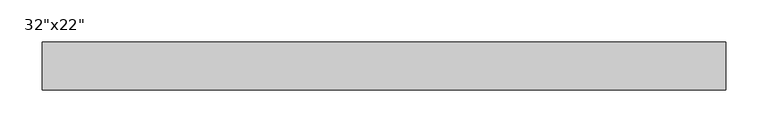
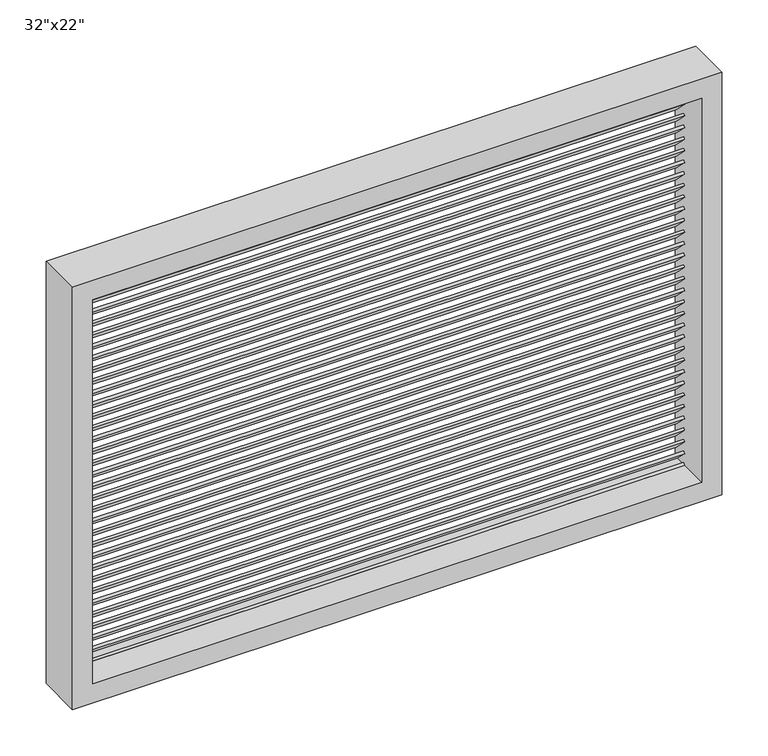
"""IFC4 building model written with IfcOpenShell, lengths in millimetres: proxy geometry."""

from ifc_helpers import new_model, si_unit, frame, origin, place, context, project, spatial, polyline, outline, extrude, source, transform, mapped, element, save


def proxy_f764767f(model_context):
    return source(origin(), model_context, "Body", "SweptSolid", [
        extrude(outline(polyline([(0.0, 25.4000001), (762.0, 25.4000001), (762.0, 0.0), (0.0, 0.0), (0.0, 25.4000001)])), frame((-381.0, 49.6444237, 1333.7120527), z_axis=(0.0, 0.7071067811865469, 0.7071067811865482), x_axis=(1.0, 0.0, 0.0)), (0.0, 0.0, 1.0), 3.175),
        extrude(outline(polyline([(0.0, 25.4), (762.0, 25.4), (762.0, 0.0), (0.0, 0.0), (0.0, 25.4)])), frame((-381.0, 49.6444237, 1318.3086571), z_axis=(0.0, 0.7071067811865469, 0.7071067811865482), x_axis=(1.0, 0.0, 0.0)), (0.0, 0.0, 1.0), 3.175),
        extrude(outline(polyline([(0.0, 25.4), (762.0, 25.4), (762.0, 0.0), (0.0, 0.0), (0.0, 25.4)])), frame((-381.0, 49.6444237, 1302.9052616), z_axis=(0.0, 0.7071067811865469, 0.7071067811865482), x_axis=(1.0, 0.0, 0.0)), (0.0, 0.0, 1.0), 3.175),
        extrude(outline(polyline([(0.0, 25.4000001), (762.0, 25.4000001), (762.0, 0.0), (0.0, 0.0), (0.0, 25.4000001)])), frame((-381.0, 49.6444237, 1287.5018661), z_axis=(0.0, 0.7071067811865469, 0.7071067811865482), x_axis=(1.0, 0.0, 0.0)), (0.0, 0.0, 1.0), 3.175),
        extrude(outline(polyline([(0.0, 25.4), (762.0, 25.4), (762.0, 0.0), (0.0, 0.0), (0.0, 25.4)])), frame((-381.0, 49.6444237, 1272.0984705), z_axis=(0.0, 0.7071067811865469, 0.7071067811865482), x_axis=(1.0, 0.0, 0.0)), (0.0, 0.0, 1.0), 3.175),
        extrude(outline(polyline([(0.0, 25.4), (762.0, 25.4), (762.0, 0.0), (0.0, 0.0), (0.0, 25.4)])), frame((-381.0, 49.6444237, 1256.695075), z_axis=(0.0, 0.7071067811865469, 0.7071067811865482), x_axis=(1.0, 0.0, 0.0)), (0.0, 0.0, 1.0), 3.175),
        extrude(outline(polyline([(0.0, 25.4000001), (762.0, 25.4000001), (762.0, 0.0), (0.0, 0.0), (0.0, 25.4000001)])), frame((-381.0, 49.6444237, 1241.2916795), z_axis=(0.0, 0.7071067811865469, 0.7071067811865482), x_axis=(1.0, 0.0, 0.0)), (0.0, 0.0, 1.0), 3.175),
        extrude(outline(polyline([(0.0, 25.4), (762.0, 25.4), (762.0, 0.0), (0.0, 0.0), (0.0, 25.4)])), frame((-381.0, 49.6444237, 1225.8882839), z_axis=(0.0, 0.7071067811865469, 0.7071067811865482), x_axis=(1.0, 0.0, 0.0)), (0.0, 0.0, 1.0), 3.175),
        extrude(outline(polyline([(0.0, 25.4000001), (762.0, 25.4000001), (762.0, 0.0), (0.0, 0.0), (0.0, 25.4000001)])), frame((-381.0, 49.6444237, 1210.4848884), z_axis=(0.0, 0.7071067811865469, 0.7071067811865482), x_axis=(1.0, 0.0, 0.0)), (0.0, 0.0, 1.0), 3.175),
        extrude(outline(polyline([(0.0, 25.4000001), (762.0, 25.4000001), (762.0, 0.0), (0.0, 0.0), (0.0, 25.4000001)])), frame((-381.0, 49.6444237, 1195.0814929), z_axis=(0.0, 0.7071067811865469, 0.7071067811865482), x_axis=(1.0, 0.0, 0.0)), (0.0, 0.0, 1.0), 3.175),
        extrude(outline(polyline([(0.0, 25.4), (762.0, 25.4), (762.0, 0.0), (0.0, 0.0), (0.0, 25.4)])), frame((-381.0, 49.6444237, 1179.6780973), z_axis=(0.0, 0.7071067811865469, 0.7071067811865482), x_axis=(1.0, 0.0, 0.0)), (0.0, 0.0, 1.0), 3.175),
        extrude(outline(polyline([(0.0, 25.4000001), (762.0, 25.4000001), (762.0, 0.0), (0.0, 0.0), (0.0, 25.4000001)])), frame((-381.0, 49.6444237, 1164.2747018), z_axis=(0.0, 0.7071067811865469, 0.7071067811865482), x_axis=(1.0, 0.0, 0.0)), (0.0, 0.0, 1.0), 3.175),
        extrude(outline(polyline([(0.0, 25.4), (762.0, 25.4), (762.0, 0.0), (0.0, 0.0), (0.0, 25.4)])), frame((-381.0, 49.6444237, 1148.8713062), z_axis=(0.0, 0.7071067811865469, 0.7071067811865482), x_axis=(1.0, 0.0, 0.0)), (0.0, 0.0, 1.0), 3.175),
        extrude(outline(polyline([(0.0, 25.4), (762.0, 25.4), (762.0, 0.0), (0.0, 0.0), (0.0, 25.4)])), frame((-381.0, 49.6444237, 1133.4679107), z_axis=(0.0, 0.7071067811865469, 0.7071067811865482), x_axis=(1.0, 0.0, 0.0)), (0.0, 0.0, 1.0), 3.175),
        extrude(outline(polyline([(0.0, 25.4000001), (762.0, 25.4000001), (762.0, 0.0), (0.0, 0.0), (0.0, 25.4000001)])), frame((-381.0, 49.6444237, 1118.0645152), z_axis=(0.0, 0.7071067811865469, 0.7071067811865482), x_axis=(1.0, 0.0, 0.0)), (0.0, 0.0, 1.0), 3.175),
        extrude(outline(polyline([(0.0, 25.4), (762.0, 25.4), (762.0, 0.0), (0.0, 0.0), (0.0, 25.4)])), frame((-381.0, 49.6444237, 1102.6611196), z_axis=(0.0, 0.7071067811865469, 0.7071067811865482), x_axis=(1.0, 0.0, 0.0)), (0.0, 0.0, 1.0), 3.175),
        extrude(outline(polyline([(0.0, 25.4), (762.0, 25.4), (762.0, 0.0), (0.0, 0.0), (0.0, 25.4)])), frame((-381.0, 49.6444237, 1087.2577241), z_axis=(0.0, 0.7071067811865469, 0.7071067811865482), x_axis=(1.0, 0.0, 0.0)), (0.0, 0.0, 1.0), 3.175),
        extrude(outline(polyline([(0.0, 25.4000001), (762.0, 25.4000001), (762.0, 0.0), (0.0, 0.0), (0.0, 25.4000001)])), frame((-381.0, 49.6444237, 1071.8543286), z_axis=(0.0, 0.7071067811865469, 0.7071067811865482), x_axis=(1.0, 0.0, 0.0)), (0.0, 0.0, 1.0), 3.175),
        extrude(outline(polyline([(0.0, 25.4), (762.0, 25.4), (762.0, 0.0), (0.0, 0.0), (0.0, 25.4)])), frame((-381.0, 49.6444237, 1056.450933), z_axis=(0.0, 0.7071067811865469, 0.7071067811865482), x_axis=(1.0, 0.0, 0.0)), (0.0, 0.0, 1.0), 3.175),
        extrude(outline(polyline([(0.0, 25.4), (762.0, 25.4), (762.0, 0.0), (0.0, 0.0), (0.0, 25.4)])), frame((-381.0, 49.6444237, 1041.0475375), z_axis=(0.0, 0.7071067811865469, 0.7071067811865482), x_axis=(1.0, 0.0, 0.0)), (0.0, 0.0, 1.0), 3.175),
        extrude(outline(polyline([(0.0, 25.4000001), (762.0, 25.4000001), (762.0, 0.0), (0.0, 0.0), (0.0, 25.4000001)])), frame((-381.0, 49.6444237, 1025.644142), z_axis=(0.0, 0.7071067811865469, 0.7071067811865482), x_axis=(1.0, 0.0, 0.0)), (0.0, 0.0, 1.0), 3.175),
        extrude(outline(polyline([(0.0, 25.4), (762.0, 25.4), (762.0, 0.0), (0.0, 0.0), (0.0, 25.4)])), frame((-381.0, 49.6444237, 1010.2407464), z_axis=(0.0, 0.7071067811865469, 0.7071067811865482), x_axis=(1.0, 0.0, 0.0)), (0.0, 0.0, 1.0), 3.175),
        extrude(outline(polyline([(0.0, 25.4000001), (762.0, 25.4000001), (762.0, 0.0), (0.0, 0.0), (0.0, 25.4000001)])), frame((-381.0, 49.6444237, 994.8373509), z_axis=(0.0, 0.7071067811865469, 0.7071067811865482), x_axis=(1.0, 0.0, 0.0)), (0.0, 0.0, 1.0), 3.175),
        extrude(outline(polyline([(0.0, 25.4000001), (762.0, 25.4000001), (762.0, 0.0), (0.0, 0.0), (0.0, 25.4000001)])), frame((-381.0, 49.6444237, 979.4339554), z_axis=(0.0, 0.7071067811865469, 0.7071067811865482), x_axis=(1.0, 0.0, 0.0)), (0.0, 0.0, 1.0), 3.175),
        extrude(outline(polyline([(0.0, 25.4), (762.0, 25.4), (762.0, 0.0), (0.0, 0.0), (0.0, 25.4)])), frame((-381.0, 49.6444237, 964.0305598), z_axis=(0.0, 0.7071067811865469, 0.7071067811865482), x_axis=(1.0, 0.0, 0.0)), (0.0, 0.0, 1.0), 3.175),
        extrude(outline(polyline([(0.0, 25.4000001), (762.0, 25.4000001), (762.0, 0.0), (0.0, 0.0), (0.0, 25.4000001)])), frame((-381.0, 49.6444237, 948.6271643), z_axis=(0.0, 0.7071067811865469, 0.7071067811865482), x_axis=(1.0, 0.0, 0.0)), (0.0, 0.0, 1.0), 3.175),
        extrude(outline(polyline([(0.0, 25.4), (762.0, 25.4), (762.0, 0.0), (0.0, 0.0), (0.0, 25.4)])), frame((-381.0, 49.6444237, 933.2237687), z_axis=(0.0, 0.7071067811865469, 0.7071067811865482), x_axis=(1.0, 0.0, 0.0)), (0.0, 0.0, 1.0), 3.175),
        extrude(outline(polyline([(0.0, 25.4), (762.0, 25.4), (762.0, 0.0), (0.0, 0.0), (0.0, 25.4)])), frame((-381.0, 49.6444237, 917.8203732), z_axis=(0.0, 0.7071067811865469, 0.7071067811865482), x_axis=(1.0, 0.0, 0.0)), (0.0, 0.0, 1.0), 3.175),
        extrude(outline(polyline([(0.0, 25.4000001), (762.0, 25.4000001), (762.0, 0.0), (0.0, 0.0), (0.0, 25.4000001)])), frame((-381.0, 49.6444237, 902.4169777), z_axis=(0.0, 0.7071067811865469, 0.7071067811865482), x_axis=(1.0, 0.0, 0.0)), (0.0, 0.0, 1.0), 3.175),
        extrude(outline(polyline([(0.0, 25.4), (762.0, 25.4), (762.0, 0.0), (0.0, 0.0), (0.0, 25.4)])), frame((-381.0, 49.6444237, 887.0135821), z_axis=(0.0, 0.7071067811865469, 0.7071067811865482), x_axis=(1.0, 0.0, 0.0)), (0.0, 0.0, 1.0), 3.175),
        extrude(outline(polyline([(0.0, 25.4), (762.0, 25.4), (762.0, 0.0), (0.0, 0.0), (0.0, 25.4)])), frame((-381.0, 49.6444237, 871.6101866), z_axis=(0.0, 0.7071067811865469, 0.7071067811865482), x_axis=(1.0, 0.0, 0.0)), (0.0, 0.0, 1.0), 3.175),
        extrude(outline(polyline([(0.0, 25.4000001), (762.0, 25.4000001), (762.0, 0.0), (0.0, 0.0), (0.0, 25.4000001)])), frame((-381.0, 49.6444237, 856.2067911), z_axis=(0.0, 0.7071067811865469, 0.7071067811865482), x_axis=(1.0, 0.0, 0.0)), (0.0, 0.0, 1.0), 3.175),
        extrude(outline(polyline([(0.0, 25.4), (762.0, 25.4), (762.0, 0.0), (0.0, 0.0), (0.0, 25.4)])), frame((-381.0, 49.6444237, 840.8033955), z_axis=(0.0, 0.7071067811865469, 0.7071067811865482), x_axis=(1.0, 0.0, 0.0)), (0.0, 0.0, 1.0), 3.175),
        extrude(outline(polyline([(0.0, 25.4), (762.0, 25.4), (762.0, 0.0), (0.0, 0.0), (0.0, 25.4)])), frame((-381.0, 49.6444237, 1349.1154482), z_axis=(0.0, 0.7071067811865469, 0.7071067811865482), x_axis=(1.0, 0.0, 0.0)), (0.0, 0.0, 1.0), 3.175),
        extrude(outline(polyline([(0.0, 25.4), (762.0, 25.4), (762.0, 0.0), (0.0, 0.0), (0.0, 25.4)])), frame((-381.0, 49.6444237, 825.4), z_axis=(0.0, 0.7071067811865469, 0.7071067811865482), x_axis=(1.0, 0.0, 0.0)), (0.0, 0.0, 1.0), 3.175),
        extrude(outline(polyline([(1358.8, -406.4), (800.0, -406.4), (800.0, 406.4), (1358.8, 406.4), (1358.8, -406.4)]), holes=[polyline([(1333.4, -381.0), (1333.4, 381.0), (825.4, 381.0), (825.4, -381.0), (1333.4, -381.0)])]), frame((0.0, 12.7, 0.0), z_axis=(0.0, 1.0, 0.0), x_axis=(0.0, 0.0, 1.0)), (0.0, 0.0, 1.0), 57.15),
    ])


if __name__ == "__main__":
    model = new_model("IFC4")
    model_context = context("Model", 3, world=origin())
    ifc_project = project(units=[si_unit("LENGTHUNIT", "METRE", prefix="MILLI")], contexts=[model_context])
    site = spatial("IfcSite", under=ifc_project)
    building = spatial("IfcBuilding", under=site)
    placement = place(None, origin())
    proxy_shape = proxy_f764767f(model_context)
    element("IfcBuildingElementProxy", 1, Name="32\"x22\"", ObjectType="32\"x22\"", at=placement, inside=building, context=model_context, shape_type="MappedRepresentation", body=[
        mapped(proxy_shape, transform((0.0, 0.0, 0.0), x_axis=(1.0, 0.0, 0.0), y_axis=(0.0, 1.0, 0.0), z_axis=(0.0, 0.0, 1.0))),
    ])
    save(model, "model.ifc")
